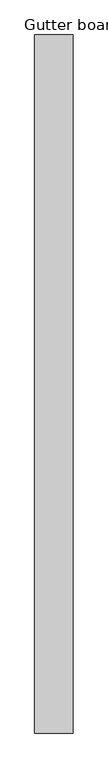
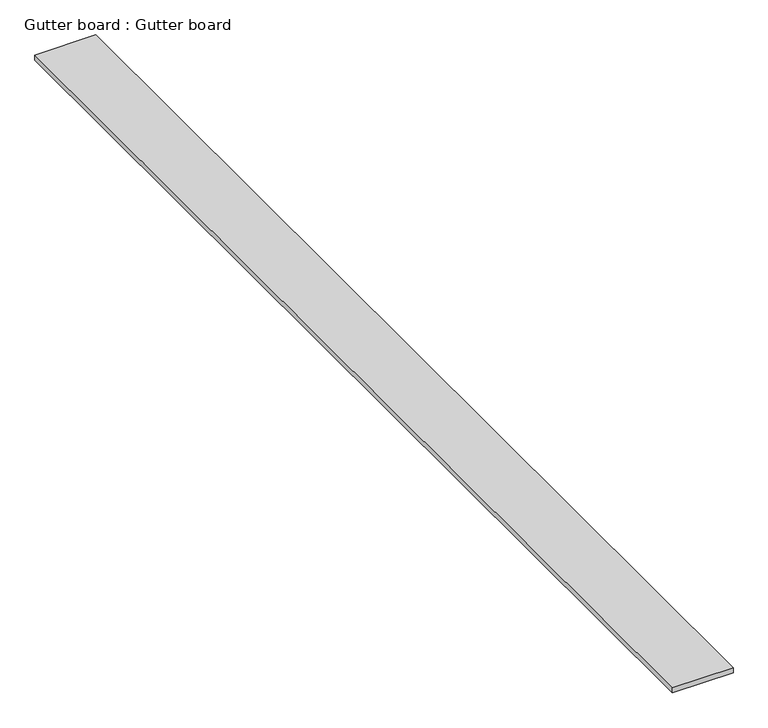
"""IFC4 building model written with IfcOpenShell, lengths in millimetres: proxy geometry, Gutter board : Gutter board."""

from ifc_helpers import new_model, si_unit, frame, origin, place, context, project, spatial, polyline, outline, extrude, source, transform, mapped, element, save


def gutter_board_gutter_board_04087d27(model_context):
    return source(origin(), model_context, "Body", "SweptSolid", [
        extrude(outline(polyline([(-1195.0224589, -4569.589878), (-1365.0224589, -4569.589878), (-1365.0224589, -1479.589878), (-1195.0224589, -1479.589878), (-1195.0224589, -4569.589878)])), frame((0.0, 0.0, 3784.2452806), z_axis=(0.0, 0.0, 1.0), x_axis=(1.0, 0.0, 0.0)), (0.0, 0.0, 1.0), 15.0),
    ])


if __name__ == "__main__":
    model = new_model("IFC4")
    model_context = context("Model", 3, world=origin())
    ifc_project = project(units=[si_unit("LENGTHUNIT", "METRE", prefix="MILLI")], contexts=[model_context])
    site = spatial("IfcSite", under=ifc_project)
    building = spatial("IfcBuilding", under=site)
    placement = place(None, origin())
    gutter_board_gutter_board_shape = gutter_board_gutter_board_04087d27(model_context)
    element("IfcBuildingElementProxy", 1, Name="Gutter board : Gutter board", ObjectType="Gutter board : Gutter board", at=placement, inside=building, context=model_context, shape_type="MappedRepresentation", body=[
        mapped(gutter_board_gutter_board_shape, transform((0.0, 0.0, 0.0), x_axis=(1.0, 0.0, 0.0), y_axis=(0.0, 1.0, 0.0), z_axis=(0.0, 0.0, 1.0))),
    ])
    save(model, "model.ifc")
